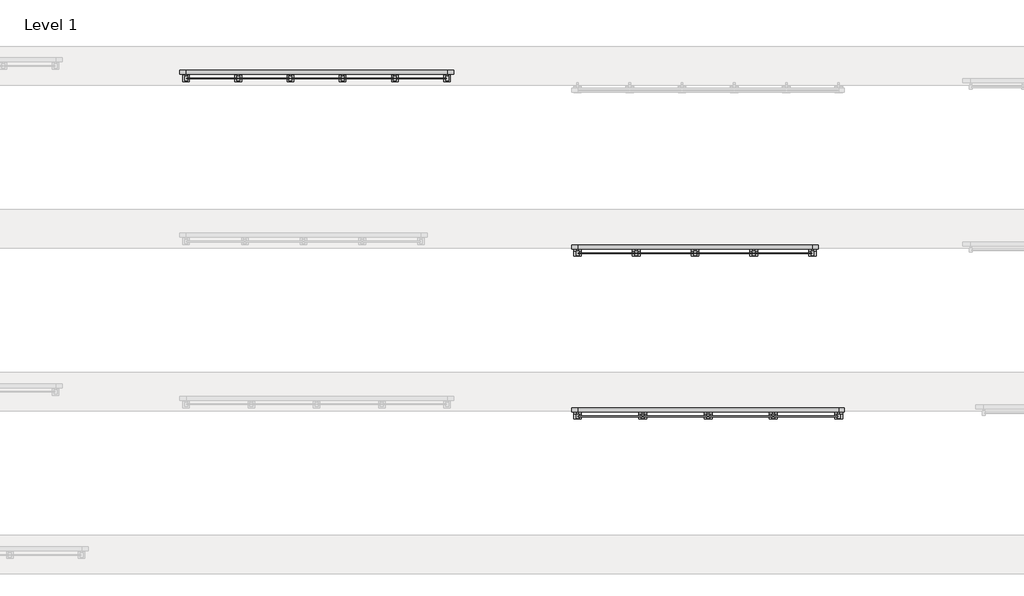
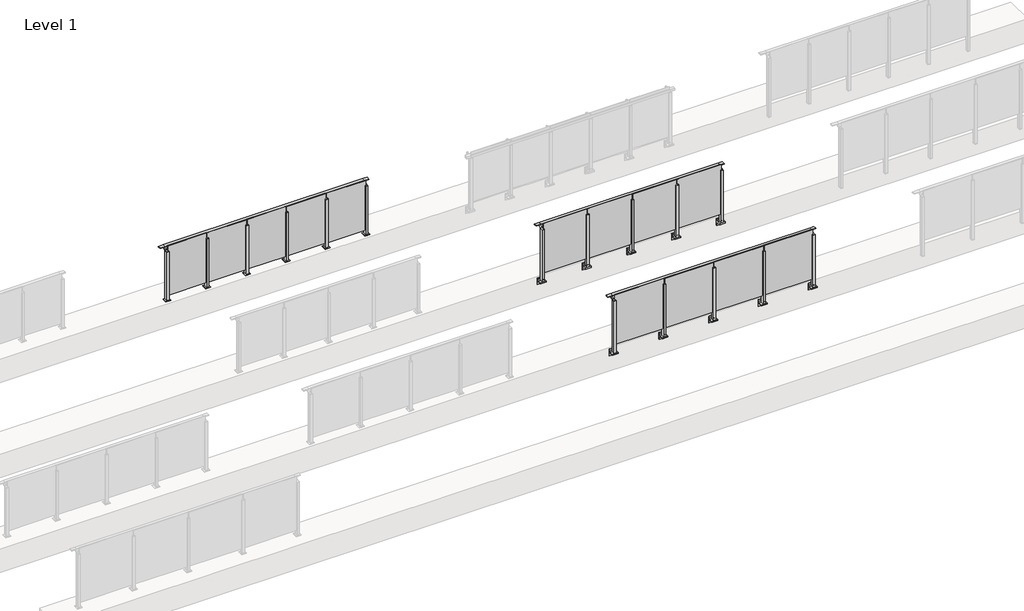
# One storey, part 33 of 37: 3 railings.
"""IFC4 building model written with IfcOpenShell, lengths in millimetres."""

from ifc_helpers import new_model, si_unit, point, frame, frame_2d, origin, origin_with_axes, place, context, project, spatial, polyline, circle_curve, trimmed, segment, composite_curve, outline, extrude, faceted_brep, element, save

model = new_model("IFC4")

# Units and contexts
model_context = context("Model", 3, world=origin())
ifc_project = project(units=[si_unit("LENGTHUNIT", "METRE", prefix="MILLI")], contexts=[model_context])

# Site, building, storey
site = spatial("IfcSite", under=ifc_project)
building = spatial("IfcBuilding", under=site)
storey = spatial("IfcBuildingStorey", under=building, Name="Level 1", Elevation=0.0)

# Railings
placement = place(None, origin())
element("IfcRailing", 1, at=placement, inside=storey, context=model_context, shape_type="SolidModel", body=[
    faceted_brep([(71910.0, 17443.1846828, 1100.0), (71910.0, 17443.1846828, 1085.0), (71910.0, 17383.1846828, 1085.0), (71910.0, 17383.1846828, 1100.0), (72000.0, 17443.1846828, 1100.0), (72000.0, 17443.1846828, 1085.0), (72000.0, 17383.1846828, 1085.0), (72000.0, 17383.1846828, 1100.0), (76000.0, 17443.1846828, 1100.0), (76000.0, 17443.1846828, 1085.0), (76000.0, 17383.1846828, 1085.0), (76000.0, 17383.1846828, 1100.0), (76090.0, 17443.1846828, 1100.0), (76090.0, 17383.1846828, 1100.0), (76090.0, 17383.1846828, 1085.0), (76090.0, 17443.1846828, 1085.0)], [[[0, 1, 2, 3]], [[1, 0, 4, 5]], [[2, 1, 5, 6]], [[3, 2, 6, 7]], [[0, 3, 7, 4]], [[5, 4, 8, 9]], [[6, 5, 9, 10]], [[7, 6, 10, 11]], [[4, 7, 11, 8]], [[12, 13, 14, 15]], [[9, 8, 12, 15]], [[10, 9, 15, 14]], [[11, 10, 14, 13]], [[8, 11, 13, 12]]]),
    extrude(outline(polyline([(75010.0, 17311.9094929), (75010.0, 17321.9094929), (75990.0, 17321.9094929), (75990.0, 17311.9094929), (75010.0, 17311.9094929)])), frame((0.0, 0.0, 95.0), z_axis=(0.0, 0.0, 1.0), x_axis=(1.0, 0.0, 0.0)), (0.0, 0.0, 1.0), 1055.0),
    extrude(outline(composite_curve([segment(polyline([(17438.1846828, 1085.0), (17438.1846828, 1060.900037)]), True, "CONTINUOUS"), segment(trimmed(circle_curve(frame_2d((17428.1846828, 1060.900037)), 10.0), [point((17438.1846828, 1060.900037))], [point((17430.7728733, 1051.2407787))], False, "CARTESIAN"), True, "CONTINUOUS"), segment(polyline([(17430.7728733, 1051.2407787), (17373.7244733, 1035.9547061)]), True, "CONTINUOUS"), segment(trimmed(circle_curve(frame_2d((17376.3126638, 1026.2954478)), 10.0), [point((17373.7244733, 1035.9547061))], [point((17366.3982152, 1027.6007097))], True, "CARTESIAN"), True, "CONTINUOUS"), segment(polyline([(17366.3982152, 1027.6007097), (17361.791393, 992.6084214)]), True, "CONTINUOUS"), segment(trimmed(circle_curve(frame_2d((17358.8170584, 993.0)), 3.0), [point((17361.791393, 992.6084214))], [point((17358.8170584, 990.0))], False, "CARTESIAN"), True, "CONTINUOUS"), segment(polyline([(17358.8170584, 990.0), (17350.1846828, 990.0), (17350.1846828, 1040.0), (17414.1846828, 1057.1487483), (17414.1846828, 1085.0), (17438.1846828, 1085.0)]), True, "CONTINUOUS")], self_intersect=False)), frame((74987.5, 0.0, 0.0), z_axis=(1.0, 0.0, 0.0), x_axis=(0.0, 1.0, 0.0)), (0.0, 0.0, 1.0), 25.0),
    extrude(outline(composite_curve([segment(polyline([(17350.1846828, -70.0), (17384.1846828, -63.0), (17384.1846828, -32.5), (17400.1846828, -32.5), (17400.1846828, -167.5), (17384.1846828, -167.5), (17384.1846828, -113.5)]), True, "CONTINUOUS"), segment(trimmed(circle_curve(frame_2d((17364.1846828, -113.5)), 20.0), [point((17384.1846828, -113.5))], [point((17364.1846828, -93.5))], True, "CARTESIAN"), True, "CONTINUOUS"), segment(polyline([(17364.1846828, -93.5), (17280.1846828, -93.5), (17280.1846828, -70.0), (17350.1846828, -70.0)]), True, "CONTINUOUS")], self_intersect=False)), frame((74940.0, 0.0, 0.0), z_axis=(1.0, 0.0, 0.0), x_axis=(0.0, 1.0, 0.0)), (0.0, 0.0, 1.0), 120.0),
    extrude(outline(polyline([(75022.5, 17350.1846828), (75022.5, 17285.1846828), (74977.5, 17285.1846828), (74977.5, 17350.1846828), (75022.5, 17350.1846828)])), frame((0.0, 0.0, -70.0), z_axis=(0.0, 0.0, 1.0), x_axis=(1.0, 0.0, 0.0)), (0.0, 0.0, 1.0), 1110.0),
    extrude(outline(polyline([(75022.5, 17350.1846828), (75022.5, 17285.1846828), (74977.5, 17285.1846828), (74977.5, 17350.1846828), (75022.5, 17350.1846828)])), frame((0.0, 0.0, 1040.0), z_axis=(0.0, 0.0, 1.0), x_axis=(1.0, 0.0, 0.0)), (0.0, 0.0, 1.0), 5.0),
    extrude(outline(polyline([(74010.0, 17311.9094929), (74010.0, 17321.9094929), (74990.0, 17321.9094929), (74990.0, 17311.9094929), (74010.0, 17311.9094929)])), frame((0.0, 0.0, 95.0), z_axis=(0.0, 0.0, 1.0), x_axis=(1.0, 0.0, 0.0)), (0.0, 0.0, 1.0), 1055.0),
    extrude(outline(composite_curve([segment(polyline([(17438.1846828, 1085.0), (17438.1846828, 1060.900037)]), True, "CONTINUOUS"), segment(trimmed(circle_curve(frame_2d((17428.1846828, 1060.900037)), 10.0), [point((17438.1846828, 1060.900037))], [point((17430.7728733, 1051.2407787))], False, "CARTESIAN"), True, "CONTINUOUS"), segment(polyline([(17430.7728733, 1051.2407787), (17373.7244733, 1035.9547061)]), True, "CONTINUOUS"), segment(trimmed(circle_curve(frame_2d((17376.3126638, 1026.2954478)), 10.0), [point((17373.7244733, 1035.9547061))], [point((17366.3982152, 1027.6007097))], True, "CARTESIAN"), True, "CONTINUOUS"), segment(polyline([(17366.3982152, 1027.6007097), (17361.791393, 992.6084214)]), True, "CONTINUOUS"), segment(trimmed(circle_curve(frame_2d((17358.8170584, 993.0)), 3.0), [point((17361.791393, 992.6084214))], [point((17358.8170584, 990.0))], False, "CARTESIAN"), True, "CONTINUOUS"), segment(polyline([(17358.8170584, 990.0), (17350.1846828, 990.0), (17350.1846828, 1040.0), (17414.1846828, 1057.1487483), (17414.1846828, 1085.0), (17438.1846828, 1085.0)]), True, "CONTINUOUS")], self_intersect=False)), frame((73987.5, 0.0, 0.0), z_axis=(1.0, 0.0, 0.0), x_axis=(0.0, 1.0, 0.0)), (0.0, 0.0, 1.0), 25.0),
    extrude(outline(composite_curve([segment(polyline([(17350.1846828, -70.0), (17384.1846828, -63.0), (17384.1846828, -32.5), (17400.1846828, -32.5), (17400.1846828, -167.5), (17384.1846828, -167.5), (17384.1846828, -113.5)]), True, "CONTINUOUS"), segment(trimmed(circle_curve(frame_2d((17364.1846828, -113.5)), 20.0), [point((17384.1846828, -113.5))], [point((17364.1846828, -93.5))], True, "CARTESIAN"), True, "CONTINUOUS"), segment(polyline([(17364.1846828, -93.5), (17280.1846828, -93.5), (17280.1846828, -70.0), (17350.1846828, -70.0)]), True, "CONTINUOUS")], self_intersect=False)), frame((73940.0, 0.0, 0.0), z_axis=(1.0, 0.0, 0.0), x_axis=(0.0, 1.0, 0.0)), (0.0, 0.0, 1.0), 120.0),
    extrude(outline(polyline([(74022.5, 17350.1846828), (74022.5, 17285.1846828), (73977.5, 17285.1846828), (73977.5, 17350.1846828), (74022.5, 17350.1846828)])), frame((0.0, 0.0, -70.0), z_axis=(0.0, 0.0, 1.0), x_axis=(1.0, 0.0, 0.0)), (0.0, 0.0, 1.0), 1110.0),
    extrude(outline(polyline([(74022.5, 17350.1846828), (74022.5, 17285.1846828), (73977.5, 17285.1846828), (73977.5, 17350.1846828), (74022.5, 17350.1846828)])), frame((0.0, 0.0, 1040.0), z_axis=(0.0, 0.0, 1.0), x_axis=(1.0, 0.0, 0.0)), (0.0, 0.0, 1.0), 5.0),
    extrude(outline(polyline([(73010.0, 17311.9094929), (73010.0, 17321.9094929), (73990.0, 17321.9094929), (73990.0, 17311.9094929), (73010.0, 17311.9094929)])), frame((0.0, 0.0, 95.0), z_axis=(0.0, 0.0, 1.0), x_axis=(1.0, 0.0, 0.0)), (0.0, 0.0, 1.0), 1055.0),
    extrude(outline(composite_curve([segment(polyline([(17438.1846828, 1085.0), (17438.1846828, 1060.900037)]), True, "CONTINUOUS"), segment(trimmed(circle_curve(frame_2d((17428.1846828, 1060.900037)), 10.0), [point((17438.1846828, 1060.900037))], [point((17430.7728733, 1051.2407787))], False, "CARTESIAN"), True, "CONTINUOUS"), segment(polyline([(17430.7728733, 1051.2407787), (17373.7244733, 1035.9547061)]), True, "CONTINUOUS"), segment(trimmed(circle_curve(frame_2d((17376.3126638, 1026.2954478)), 10.0), [point((17373.7244733, 1035.9547061))], [point((17366.3982152, 1027.6007097))], True, "CARTESIAN"), True, "CONTINUOUS"), segment(polyline([(17366.3982152, 1027.6007097), (17361.791393, 992.6084214)]), True, "CONTINUOUS"), segment(trimmed(circle_curve(frame_2d((17358.8170584, 993.0)), 3.0), [point((17361.791393, 992.6084214))], [point((17358.8170584, 990.0))], False, "CARTESIAN"), True, "CONTINUOUS"), segment(polyline([(17358.8170584, 990.0), (17350.1846828, 990.0), (17350.1846828, 1040.0), (17414.1846828, 1057.1487483), (17414.1846828, 1085.0), (17438.1846828, 1085.0)]), True, "CONTINUOUS")], self_intersect=False)), frame((72987.5, 0.0, 0.0), z_axis=(1.0, 0.0, 0.0), x_axis=(0.0, 1.0, 0.0)), (0.0, 0.0, 1.0), 25.0),
    extrude(outline(composite_curve([segment(polyline([(17350.1846828, -70.0), (17384.1846828, -63.0), (17384.1846828, -32.5), (17400.1846828, -32.5), (17400.1846828, -167.5), (17384.1846828, -167.5), (17384.1846828, -113.5)]), True, "CONTINUOUS"), segment(trimmed(circle_curve(frame_2d((17364.1846828, -113.5)), 20.0), [point((17384.1846828, -113.5))], [point((17364.1846828, -93.5))], True, "CARTESIAN"), True, "CONTINUOUS"), segment(polyline([(17364.1846828, -93.5), (17280.1846828, -93.5), (17280.1846828, -70.0), (17350.1846828, -70.0)]), True, "CONTINUOUS")], self_intersect=False)), frame((72940.0, 0.0, 0.0), z_axis=(1.0, 0.0, 0.0), x_axis=(0.0, 1.0, 0.0)), (0.0, 0.0, 1.0), 120.0),
    extrude(outline(polyline([(73022.5, 17350.1846828), (73022.5, 17285.1846828), (72977.5, 17285.1846828), (72977.5, 17350.1846828), (73022.5, 17350.1846828)])), frame((0.0, 0.0, -70.0), z_axis=(0.0, 0.0, 1.0), x_axis=(1.0, 0.0, 0.0)), (0.0, 0.0, 1.0), 1110.0),
    extrude(outline(polyline([(73022.5, 17350.1846828), (73022.5, 17285.1846828), (72977.5, 17285.1846828), (72977.5, 17350.1846828), (73022.5, 17350.1846828)])), frame((0.0, 0.0, 1040.0), z_axis=(0.0, 0.0, 1.0), x_axis=(1.0, 0.0, 0.0)), (0.0, 0.0, 1.0), 5.0),
    extrude(outline(polyline([(72010.0, 17311.9094929), (72010.0, 17321.9094929), (72990.0, 17321.9094929), (72990.0, 17311.9094929), (72010.0, 17311.9094929)])), frame((0.0, 0.0, 95.0), z_axis=(0.0, 0.0, 1.0), x_axis=(1.0, 0.0, 0.0)), (0.0, 0.0, 1.0), 1055.0),
    extrude(outline(composite_curve([segment(polyline([(17438.1846828, 1085.0), (17438.1846828, 1060.900037)]), True, "CONTINUOUS"), segment(trimmed(circle_curve(frame_2d((17428.1846828, 1060.900037)), 10.0), [point((17438.1846828, 1060.900037))], [point((17430.7728733, 1051.2407787))], False, "CARTESIAN"), True, "CONTINUOUS"), segment(polyline([(17430.7728733, 1051.2407787), (17373.7244733, 1035.9547061)]), True, "CONTINUOUS"), segment(trimmed(circle_curve(frame_2d((17376.3126638, 1026.2954478)), 10.0), [point((17373.7244733, 1035.9547061))], [point((17366.3982152, 1027.6007097))], True, "CARTESIAN"), True, "CONTINUOUS"), segment(polyline([(17366.3982152, 1027.6007097), (17361.791393, 992.6084214)]), True, "CONTINUOUS"), segment(trimmed(circle_curve(frame_2d((17358.8170584, 993.0)), 3.0), [point((17361.791393, 992.6084214))], [point((17358.8170584, 990.0))], False, "CARTESIAN"), True, "CONTINUOUS"), segment(polyline([(17358.8170584, 990.0), (17350.1846828, 990.0), (17350.1846828, 1040.0), (17414.1846828, 1057.1487483), (17414.1846828, 1085.0), (17438.1846828, 1085.0)]), True, "CONTINUOUS")], self_intersect=False)), frame((75987.5, 0.0, 0.0), z_axis=(1.0, 0.0, 0.0), x_axis=(0.0, 1.0, 0.0)), (0.0, 0.0, 1.0), 25.0),
    extrude(outline(composite_curve([segment(polyline([(17350.1846828, -70.0), (17384.1846828, -63.0), (17384.1846828, -32.5), (17400.1846828, -32.5), (17400.1846828, -167.5), (17384.1846828, -167.5), (17384.1846828, -113.5)]), True, "CONTINUOUS"), segment(trimmed(circle_curve(frame_2d((17364.1846828, -113.5)), 20.0), [point((17384.1846828, -113.5))], [point((17364.1846828, -93.5))], True, "CARTESIAN"), True, "CONTINUOUS"), segment(polyline([(17364.1846828, -93.5), (17280.1846828, -93.5), (17280.1846828, -70.0), (17350.1846828, -70.0)]), True, "CONTINUOUS")], self_intersect=False)), frame((75940.0, 0.0, 0.0), z_axis=(1.0, 0.0, 0.0), x_axis=(0.0, 1.0, 0.0)), (0.0, 0.0, 1.0), 120.0),
    extrude(outline(polyline([(76022.5, 17350.1846828), (76022.5, 17285.1846828), (75977.5, 17285.1846828), (75977.5, 17350.1846828), (76022.5, 17350.1846828)])), frame((0.0, 0.0, -70.0), z_axis=(0.0, 0.0, 1.0), x_axis=(1.0, 0.0, 0.0)), (0.0, 0.0, 1.0), 1110.0),
    extrude(outline(polyline([(76022.5, 17350.1846828), (76022.5, 17285.1846828), (75977.5, 17285.1846828), (75977.5, 17350.1846828), (76022.5, 17350.1846828)])), frame((0.0, 0.0, 1040.0), z_axis=(0.0, 0.0, 1.0), x_axis=(1.0, 0.0, 0.0)), (0.0, 0.0, 1.0), 5.0),
    extrude(outline(composite_curve([segment(polyline([(17438.1846828, 1085.0), (17438.1846828, 1060.900037)]), True, "CONTINUOUS"), segment(trimmed(circle_curve(frame_2d((17428.1846828, 1060.900037)), 10.0), [point((17438.1846828, 1060.900037))], [point((17430.7728733, 1051.2407787))], False, "CARTESIAN"), True, "CONTINUOUS"), segment(polyline([(17430.7728733, 1051.2407787), (17373.7244733, 1035.9547061)]), True, "CONTINUOUS"), segment(trimmed(circle_curve(frame_2d((17376.3126638, 1026.2954478)), 10.0), [point((17373.7244733, 1035.9547061))], [point((17366.3982152, 1027.6007097))], True, "CARTESIAN"), True, "CONTINUOUS"), segment(polyline([(17366.3982152, 1027.6007097), (17361.791393, 992.6084214)]), True, "CONTINUOUS"), segment(trimmed(circle_curve(frame_2d((17358.8170584, 993.0)), 3.0), [point((17361.791393, 992.6084214))], [point((17358.8170584, 990.0))], False, "CARTESIAN"), True, "CONTINUOUS"), segment(polyline([(17358.8170584, 990.0), (17350.1846828, 990.0), (17350.1846828, 1040.0), (17414.1846828, 1057.1487483), (17414.1846828, 1085.0), (17438.1846828, 1085.0)]), True, "CONTINUOUS")], self_intersect=False)), frame((71987.5, 0.0, 0.0), z_axis=(1.0, 0.0, 0.0), x_axis=(0.0, 1.0, 0.0)), (0.0, 0.0, 1.0), 25.0),
    extrude(outline(composite_curve([segment(polyline([(17350.1846828, -70.0), (17384.1846828, -63.0), (17384.1846828, -32.5), (17400.1846828, -32.5), (17400.1846828, -167.5), (17384.1846828, -167.5), (17384.1846828, -113.5)]), True, "CONTINUOUS"), segment(trimmed(circle_curve(frame_2d((17364.1846828, -113.5)), 20.0), [point((17384.1846828, -113.5))], [point((17364.1846828, -93.5))], True, "CARTESIAN"), True, "CONTINUOUS"), segment(polyline([(17364.1846828, -93.5), (17280.1846828, -93.5), (17280.1846828, -70.0), (17350.1846828, -70.0)]), True, "CONTINUOUS")], self_intersect=False)), frame((71940.0, 0.0, 0.0), z_axis=(1.0, 0.0, 0.0), x_axis=(0.0, 1.0, 0.0)), (0.0, 0.0, 1.0), 120.0),
    extrude(outline(polyline([(72022.5, 17350.1846828), (72022.5, 17285.1846828), (71977.5, 17285.1846828), (71977.5, 17350.1846828), (72022.5, 17350.1846828)])), frame((0.0, 0.0, -70.0), z_axis=(0.0, 0.0, 1.0), x_axis=(1.0, 0.0, 0.0)), (0.0, 0.0, 1.0), 1110.0),
    extrude(outline(polyline([(72022.5, 17350.1846828), (72022.5, 17285.1846828), (71977.5, 17285.1846828), (71977.5, 17350.1846828), (72022.5, 17350.1846828)])), frame((0.0, 0.0, 1040.0), z_axis=(0.0, 0.0, 1.0), x_axis=(1.0, 0.0, 0.0)), (0.0, 0.0, 1.0), 5.0),
])
element("IfcRailing", 2, at=placement, inside=storey, context=model_context, shape_type="SolidModel", body=[
    faceted_brep([(71910.0, 19943.1846828, 1100.0), (71910.0, 19943.1846828, 1085.0), (71910.0, 19883.1846828, 1085.0), (71910.0, 19883.1846828, 1100.0), (72000.0, 19943.1846828, 1100.0), (72000.0, 19943.1846828, 1085.0), (72000.0, 19883.1846828, 1085.0), (72000.0, 19883.1846828, 1100.0), (75600.0, 19943.1846828, 1100.0), (75600.0, 19943.1846828, 1085.0), (75600.0, 19883.1846828, 1085.0), (75600.0, 19883.1846828, 1100.0), (75690.0, 19943.1846828, 1100.0), (75690.0, 19883.1846828, 1100.0), (75690.0, 19883.1846828, 1085.0), (75690.0, 19943.1846828, 1085.0)], [[[0, 1, 2, 3]], [[1, 0, 4, 5]], [[2, 1, 5, 6]], [[3, 2, 6, 7]], [[0, 3, 7, 4]], [[5, 4, 8, 9]], [[6, 5, 9, 10]], [[7, 6, 10, 11]], [[4, 7, 11, 8]], [[12, 13, 14, 15]], [[9, 8, 12, 15]], [[10, 9, 15, 14]], [[11, 10, 14, 13]], [[8, 11, 13, 12]]]),
    extrude(outline(polyline([(74710.0, 19811.9094929), (74710.0, 19821.9094929), (75590.0, 19821.9094929), (75590.0, 19811.9094929), (74710.0, 19811.9094929)])), frame((0.0, 0.0, 95.0), z_axis=(0.0, 0.0, 1.0), x_axis=(1.0, 0.0, 0.0)), (0.0, 0.0, 1.0), 1055.0),
    extrude(outline(composite_curve([segment(polyline([(19938.1846828, 1085.0), (19938.1846828, 1060.900037)]), True, "CONTINUOUS"), segment(trimmed(circle_curve(frame_2d((19928.1846828, 1060.900037)), 10.0), [point((19938.1846828, 1060.900037))], [point((19930.7728733, 1051.2407787))], False, "CARTESIAN"), True, "CONTINUOUS"), segment(polyline([(19930.7728733, 1051.2407787), (19873.7244733, 1035.9547061)]), True, "CONTINUOUS"), segment(trimmed(circle_curve(frame_2d((19876.3126638, 1026.2954478)), 10.0), [point((19873.7244733, 1035.9547061))], [point((19866.3982152, 1027.6007097))], True, "CARTESIAN"), True, "CONTINUOUS"), segment(polyline([(19866.3982152, 1027.6007097), (19861.791393, 992.6084214)]), True, "CONTINUOUS"), segment(trimmed(circle_curve(frame_2d((19858.8170584, 993.0)), 3.0), [point((19861.791393, 992.6084214))], [point((19858.8170584, 990.0))], False, "CARTESIAN"), True, "CONTINUOUS"), segment(polyline([(19858.8170584, 990.0), (19850.1846828, 990.0), (19850.1846828, 1040.0), (19914.1846828, 1057.1487483), (19914.1846828, 1085.0), (19938.1846828, 1085.0)]), True, "CONTINUOUS")], self_intersect=False)), frame((74687.5, 0.0, 0.0), z_axis=(1.0, 0.0, 0.0), x_axis=(0.0, 1.0, 0.0)), (0.0, 0.0, 1.0), 25.0),
    extrude(outline(composite_curve([segment(polyline([(19850.1846828, -70.0), (19884.1846828, -63.0), (19884.1846828, -32.5), (19900.1846828, -32.5), (19900.1846828, -167.5), (19884.1846828, -167.5), (19884.1846828, -113.5)]), True, "CONTINUOUS"), segment(trimmed(circle_curve(frame_2d((19864.1846828, -113.5)), 20.0), [point((19884.1846828, -113.5))], [point((19864.1846828, -93.5))], True, "CARTESIAN"), True, "CONTINUOUS"), segment(polyline([(19864.1846828, -93.5), (19780.1846828, -93.5), (19780.1846828, -70.0), (19850.1846828, -70.0)]), True, "CONTINUOUS")], self_intersect=False)), frame((74640.0, 0.0, 0.0), z_axis=(1.0, 0.0, 0.0), x_axis=(0.0, 1.0, 0.0)), (0.0, 0.0, 1.0), 120.0),
    extrude(outline(polyline([(74722.5, 19850.1846828), (74722.5, 19785.1846828), (74677.5, 19785.1846828), (74677.5, 19850.1846828), (74722.5, 19850.1846828)])), frame((0.0, 0.0, -70.0), z_axis=(0.0, 0.0, 1.0), x_axis=(1.0, 0.0, 0.0)), (0.0, 0.0, 1.0), 1110.0),
    extrude(outline(polyline([(74722.5, 19850.1846828), (74722.5, 19785.1846828), (74677.5, 19785.1846828), (74677.5, 19850.1846828), (74722.5, 19850.1846828)])), frame((0.0, 0.0, 1040.0), z_axis=(0.0, 0.0, 1.0), x_axis=(1.0, 0.0, 0.0)), (0.0, 0.0, 1.0), 5.0),
    extrude(outline(polyline([(73810.0, 19811.9094929), (73810.0, 19821.9094929), (74690.0, 19821.9094929), (74690.0, 19811.9094929), (73810.0, 19811.9094929)])), frame((0.0, 0.0, 95.0), z_axis=(0.0, 0.0, 1.0), x_axis=(1.0, 0.0, 0.0)), (0.0, 0.0, 1.0), 1055.0),
    extrude(outline(composite_curve([segment(polyline([(19938.1846828, 1085.0), (19938.1846828, 1060.900037)]), True, "CONTINUOUS"), segment(trimmed(circle_curve(frame_2d((19928.1846828, 1060.900037)), 10.0), [point((19938.1846828, 1060.900037))], [point((19930.7728733, 1051.2407787))], False, "CARTESIAN"), True, "CONTINUOUS"), segment(polyline([(19930.7728733, 1051.2407787), (19873.7244733, 1035.9547061)]), True, "CONTINUOUS"), segment(trimmed(circle_curve(frame_2d((19876.3126638, 1026.2954478)), 10.0), [point((19873.7244733, 1035.9547061))], [point((19866.3982152, 1027.6007097))], True, "CARTESIAN"), True, "CONTINUOUS"), segment(polyline([(19866.3982152, 1027.6007097), (19861.791393, 992.6084214)]), True, "CONTINUOUS"), segment(trimmed(circle_curve(frame_2d((19858.8170584, 993.0)), 3.0), [point((19861.791393, 992.6084214))], [point((19858.8170584, 990.0))], False, "CARTESIAN"), True, "CONTINUOUS"), segment(polyline([(19858.8170584, 990.0), (19850.1846828, 990.0), (19850.1846828, 1040.0), (19914.1846828, 1057.1487483), (19914.1846828, 1085.0), (19938.1846828, 1085.0)]), True, "CONTINUOUS")], self_intersect=False)), frame((73787.5, 0.0, 0.0), z_axis=(1.0, 0.0, 0.0), x_axis=(0.0, 1.0, 0.0)), (0.0, 0.0, 1.0), 25.0),
    extrude(outline(composite_curve([segment(polyline([(19850.1846828, -70.0), (19884.1846828, -63.0), (19884.1846828, -32.5), (19900.1846828, -32.5), (19900.1846828, -167.5), (19884.1846828, -167.5), (19884.1846828, -113.5)]), True, "CONTINUOUS"), segment(trimmed(circle_curve(frame_2d((19864.1846828, -113.5)), 20.0), [point((19884.1846828, -113.5))], [point((19864.1846828, -93.5))], True, "CARTESIAN"), True, "CONTINUOUS"), segment(polyline([(19864.1846828, -93.5), (19780.1846828, -93.5), (19780.1846828, -70.0), (19850.1846828, -70.0)]), True, "CONTINUOUS")], self_intersect=False)), frame((73740.0, 0.0, 0.0), z_axis=(1.0, 0.0, 0.0), x_axis=(0.0, 1.0, 0.0)), (0.0, 0.0, 1.0), 120.0),
    extrude(outline(polyline([(73822.5, 19850.1846828), (73822.5, 19785.1846828), (73777.5, 19785.1846828), (73777.5, 19850.1846828), (73822.5, 19850.1846828)])), frame((0.0, 0.0, -70.0), z_axis=(0.0, 0.0, 1.0), x_axis=(1.0, 0.0, 0.0)), (0.0, 0.0, 1.0), 1110.0),
    extrude(outline(polyline([(73822.5, 19850.1846828), (73822.5, 19785.1846828), (73777.5, 19785.1846828), (73777.5, 19850.1846828), (73822.5, 19850.1846828)])), frame((0.0, 0.0, 1040.0), z_axis=(0.0, 0.0, 1.0), x_axis=(1.0, 0.0, 0.0)), (0.0, 0.0, 1.0), 5.0),
    extrude(outline(polyline([(72910.0, 19811.9094929), (72910.0, 19821.9094929), (73790.0, 19821.9094929), (73790.0, 19811.9094929), (72910.0, 19811.9094929)])), frame((0.0, 0.0, 95.0), z_axis=(0.0, 0.0, 1.0), x_axis=(1.0, 0.0, 0.0)), (0.0, 0.0, 1.0), 1055.0),
    extrude(outline(composite_curve([segment(polyline([(19938.1846828, 1085.0), (19938.1846828, 1060.900037)]), True, "CONTINUOUS"), segment(trimmed(circle_curve(frame_2d((19928.1846828, 1060.900037)), 10.0), [point((19938.1846828, 1060.900037))], [point((19930.7728733, 1051.2407787))], False, "CARTESIAN"), True, "CONTINUOUS"), segment(polyline([(19930.7728733, 1051.2407787), (19873.7244733, 1035.9547061)]), True, "CONTINUOUS"), segment(trimmed(circle_curve(frame_2d((19876.3126638, 1026.2954478)), 10.0), [point((19873.7244733, 1035.9547061))], [point((19866.3982152, 1027.6007097))], True, "CARTESIAN"), True, "CONTINUOUS"), segment(polyline([(19866.3982152, 1027.6007097), (19861.791393, 992.6084214)]), True, "CONTINUOUS"), segment(trimmed(circle_curve(frame_2d((19858.8170584, 993.0)), 3.0), [point((19861.791393, 992.6084214))], [point((19858.8170584, 990.0))], False, "CARTESIAN"), True, "CONTINUOUS"), segment(polyline([(19858.8170584, 990.0), (19850.1846828, 990.0), (19850.1846828, 1040.0), (19914.1846828, 1057.1487483), (19914.1846828, 1085.0), (19938.1846828, 1085.0)]), True, "CONTINUOUS")], self_intersect=False)), frame((72887.5, 0.0, 0.0), z_axis=(1.0, 0.0, 0.0), x_axis=(0.0, 1.0, 0.0)), (0.0, 0.0, 1.0), 25.0),
    extrude(outline(composite_curve([segment(polyline([(19850.1846828, -70.0), (19884.1846828, -63.0), (19884.1846828, -32.5), (19900.1846828, -32.5), (19900.1846828, -167.5), (19884.1846828, -167.5), (19884.1846828, -113.5)]), True, "CONTINUOUS"), segment(trimmed(circle_curve(frame_2d((19864.1846828, -113.5)), 20.0), [point((19884.1846828, -113.5))], [point((19864.1846828, -93.5))], True, "CARTESIAN"), True, "CONTINUOUS"), segment(polyline([(19864.1846828, -93.5), (19780.1846828, -93.5), (19780.1846828, -70.0), (19850.1846828, -70.0)]), True, "CONTINUOUS")], self_intersect=False)), frame((72840.0, 0.0, 0.0), z_axis=(1.0, 0.0, 0.0), x_axis=(0.0, 1.0, 0.0)), (0.0, 0.0, 1.0), 120.0),
    extrude(outline(polyline([(72922.5, 19850.1846828), (72922.5, 19785.1846828), (72877.5, 19785.1846828), (72877.5, 19850.1846828), (72922.5, 19850.1846828)])), frame((0.0, 0.0, -70.0), z_axis=(0.0, 0.0, 1.0), x_axis=(1.0, 0.0, 0.0)), (0.0, 0.0, 1.0), 1110.0),
    extrude(outline(polyline([(72922.5, 19850.1846828), (72922.5, 19785.1846828), (72877.5, 19785.1846828), (72877.5, 19850.1846828), (72922.5, 19850.1846828)])), frame((0.0, 0.0, 1040.0), z_axis=(0.0, 0.0, 1.0), x_axis=(1.0, 0.0, 0.0)), (0.0, 0.0, 1.0), 5.0),
    extrude(outline(polyline([(72010.0, 19811.9094929), (72010.0, 19821.9094929), (72890.0, 19821.9094929), (72890.0, 19811.9094929), (72010.0, 19811.9094929)])), frame((0.0, 0.0, 95.0), z_axis=(0.0, 0.0, 1.0), x_axis=(1.0, 0.0, 0.0)), (0.0, 0.0, 1.0), 1055.0),
    extrude(outline(composite_curve([segment(polyline([(19938.1846828, 1085.0), (19938.1846828, 1060.900037)]), True, "CONTINUOUS"), segment(trimmed(circle_curve(frame_2d((19928.1846828, 1060.900037)), 10.0), [point((19938.1846828, 1060.900037))], [point((19930.7728733, 1051.2407787))], False, "CARTESIAN"), True, "CONTINUOUS"), segment(polyline([(19930.7728733, 1051.2407787), (19873.7244733, 1035.9547061)]), True, "CONTINUOUS"), segment(trimmed(circle_curve(frame_2d((19876.3126638, 1026.2954478)), 10.0), [point((19873.7244733, 1035.9547061))], [point((19866.3982152, 1027.6007097))], True, "CARTESIAN"), True, "CONTINUOUS"), segment(polyline([(19866.3982152, 1027.6007097), (19861.791393, 992.6084214)]), True, "CONTINUOUS"), segment(trimmed(circle_curve(frame_2d((19858.8170584, 993.0)), 3.0), [point((19861.791393, 992.6084214))], [point((19858.8170584, 990.0))], False, "CARTESIAN"), True, "CONTINUOUS"), segment(polyline([(19858.8170584, 990.0), (19850.1846828, 990.0), (19850.1846828, 1040.0), (19914.1846828, 1057.1487483), (19914.1846828, 1085.0), (19938.1846828, 1085.0)]), True, "CONTINUOUS")], self_intersect=False)), frame((75587.5, 0.0, 0.0), z_axis=(1.0, 0.0, 0.0), x_axis=(0.0, 1.0, 0.0)), (0.0, 0.0, 1.0), 25.0),
    extrude(outline(composite_curve([segment(polyline([(19850.1846828, -70.0), (19884.1846828, -63.0), (19884.1846828, -32.5), (19900.1846828, -32.5), (19900.1846828, -167.5), (19884.1846828, -167.5), (19884.1846828, -113.5)]), True, "CONTINUOUS"), segment(trimmed(circle_curve(frame_2d((19864.1846828, -113.5)), 20.0), [point((19884.1846828, -113.5))], [point((19864.1846828, -93.5))], True, "CARTESIAN"), True, "CONTINUOUS"), segment(polyline([(19864.1846828, -93.5), (19780.1846828, -93.5), (19780.1846828, -70.0), (19850.1846828, -70.0)]), True, "CONTINUOUS")], self_intersect=False)), frame((75540.0, 0.0, 0.0), z_axis=(1.0, 0.0, 0.0), x_axis=(0.0, 1.0, 0.0)), (0.0, 0.0, 1.0), 120.0),
    extrude(outline(polyline([(75622.5, 19850.1846828), (75622.5, 19785.1846828), (75577.5, 19785.1846828), (75577.5, 19850.1846828), (75622.5, 19850.1846828)])), frame((0.0, 0.0, -70.0), z_axis=(0.0, 0.0, 1.0), x_axis=(1.0, 0.0, 0.0)), (0.0, 0.0, 1.0), 1110.0),
    extrude(outline(polyline([(75622.5, 19850.1846828), (75622.5, 19785.1846828), (75577.5, 19785.1846828), (75577.5, 19850.1846828), (75622.5, 19850.1846828)])), frame((0.0, 0.0, 1040.0), z_axis=(0.0, 0.0, 1.0), x_axis=(1.0, 0.0, 0.0)), (0.0, 0.0, 1.0), 5.0),
    extrude(outline(composite_curve([segment(polyline([(19938.1846828, 1085.0), (19938.1846828, 1060.900037)]), True, "CONTINUOUS"), segment(trimmed(circle_curve(frame_2d((19928.1846828, 1060.900037)), 10.0), [point((19938.1846828, 1060.900037))], [point((19930.7728733, 1051.2407787))], False, "CARTESIAN"), True, "CONTINUOUS"), segment(polyline([(19930.7728733, 1051.2407787), (19873.7244733, 1035.9547061)]), True, "CONTINUOUS"), segment(trimmed(circle_curve(frame_2d((19876.3126638, 1026.2954478)), 10.0), [point((19873.7244733, 1035.9547061))], [point((19866.3982152, 1027.6007097))], True, "CARTESIAN"), True, "CONTINUOUS"), segment(polyline([(19866.3982152, 1027.6007097), (19861.791393, 992.6084214)]), True, "CONTINUOUS"), segment(trimmed(circle_curve(frame_2d((19858.8170584, 993.0)), 3.0), [point((19861.791393, 992.6084214))], [point((19858.8170584, 990.0))], False, "CARTESIAN"), True, "CONTINUOUS"), segment(polyline([(19858.8170584, 990.0), (19850.1846828, 990.0), (19850.1846828, 1040.0), (19914.1846828, 1057.1487483), (19914.1846828, 1085.0), (19938.1846828, 1085.0)]), True, "CONTINUOUS")], self_intersect=False)), frame((71987.5, 0.0, 0.0), z_axis=(1.0, 0.0, 0.0), x_axis=(0.0, 1.0, 0.0)), (0.0, 0.0, 1.0), 25.0),
    extrude(outline(composite_curve([segment(polyline([(19850.1846828, -70.0), (19884.1846828, -63.0), (19884.1846828, -32.5), (19900.1846828, -32.5), (19900.1846828, -167.5), (19884.1846828, -167.5), (19884.1846828, -113.5)]), True, "CONTINUOUS"), segment(trimmed(circle_curve(frame_2d((19864.1846828, -113.5)), 20.0), [point((19884.1846828, -113.5))], [point((19864.1846828, -93.5))], True, "CARTESIAN"), True, "CONTINUOUS"), segment(polyline([(19864.1846828, -93.5), (19780.1846828, -93.5), (19780.1846828, -70.0), (19850.1846828, -70.0)]), True, "CONTINUOUS")], self_intersect=False)), frame((71940.0, 0.0, 0.0), z_axis=(1.0, 0.0, 0.0), x_axis=(0.0, 1.0, 0.0)), (0.0, 0.0, 1.0), 120.0),
    extrude(outline(polyline([(72022.5, 19850.1846828), (72022.5, 19785.1846828), (71977.5, 19785.1846828), (71977.5, 19850.1846828), (72022.5, 19850.1846828)])), frame((0.0, 0.0, -70.0), z_axis=(0.0, 0.0, 1.0), x_axis=(1.0, 0.0, 0.0)), (0.0, 0.0, 1.0), 1110.0),
    extrude(outline(polyline([(72022.5, 19850.1846828), (72022.5, 19785.1846828), (71977.5, 19785.1846828), (71977.5, 19850.1846828), (72022.5, 19850.1846828)])), frame((0.0, 0.0, 1040.0), z_axis=(0.0, 0.0, 1.0), x_axis=(1.0, 0.0, 0.0)), (0.0, 0.0, 1.0), 5.0),
])
element("IfcRailing", 3, at=placement, inside=storey, context=model_context, shape_type="SolidModel", body=[
    faceted_brep([(66000.0, 22625.6846828, 1085.0), (66000.0, 22625.6846828, 1100.0), (70000.0, 22625.6846828, 1100.0), (70000.0, 22625.6846828, 1085.0), (66000.0, 22565.6846828, 1085.0), (70000.0, 22565.6846828, 1085.0), (66000.0, 22565.6846828, 1100.0), (70000.0, 22565.6846828, 1100.0), (65900.0, 22625.6846828, 1100.0), (65900.0, 22625.6846828, 1085.0), (65900.0, 22565.6846828, 1085.0), (65900.0, 22565.6846828, 1100.0), (70100.0, 22625.6846828, 1100.0), (70100.0, 22565.6846828, 1100.0), (70100.0, 22565.6846828, 1085.0), (70100.0, 22625.6846828, 1085.0)], [[[0, 1, 2, 3]], [[4, 0, 3, 5]], [[6, 4, 5, 7]], [[1, 6, 7, 2]], [[8, 9, 10, 11]], [[9, 8, 1, 0]], [[10, 9, 0, 4]], [[11, 10, 4, 6]], [[8, 11, 6, 1]], [[12, 13, 14, 15]], [[3, 2, 12, 15]], [[5, 3, 15, 14]], [[7, 5, 14, 13]], [[2, 7, 13, 12]]]),
    extrude(outline(polyline([(69210.0, 22494.4094929), (69210.0, 22504.4094929), (69990.0, 22504.4094929), (69990.0, 22494.4094929), (69210.0, 22494.4094929)])), frame((0.0, 0.0, 95.0), z_axis=(0.0, 0.0, 1.0), x_axis=(1.0, 0.0, 0.0)), (0.0, 0.0, 1.0), 1055.0),
    extrude(outline(composite_curve([segment(polyline([(22620.6846828, 1085.0), (22620.6846828, 1060.900037)]), True, "CONTINUOUS"), segment(trimmed(circle_curve(frame_2d((22610.6846828, 1060.900037)), 10.0), [point((22620.6846828, 1060.900037))], [point((22613.2728733, 1051.2407787))], False, "CARTESIAN"), True, "CONTINUOUS"), segment(polyline([(22613.2728733, 1051.2407787), (22556.2244733, 1035.9547061)]), True, "CONTINUOUS"), segment(trimmed(circle_curve(frame_2d((22558.8126638, 1026.2954478)), 10.0), [point((22556.2244733, 1035.9547061))], [point((22548.8982152, 1027.6007097))], True, "CARTESIAN"), True, "CONTINUOUS"), segment(polyline([(22548.8982152, 1027.6007097), (22544.291393, 992.6084214)]), True, "CONTINUOUS"), segment(trimmed(circle_curve(frame_2d((22541.3170584, 993.0)), 3.0), [point((22544.291393, 992.6084214))], [point((22541.3170584, 990.0))], False, "CARTESIAN"), True, "CONTINUOUS"), segment(polyline([(22541.3170584, 990.0), (22532.6846828, 990.0), (22532.6846828, 1040.0), (22596.6846828, 1057.1487483), (22596.6846828, 1085.0), (22620.6846828, 1085.0)]), True, "CONTINUOUS")], self_intersect=False)), frame((69187.5, 0.0, 0.0), z_axis=(1.0, 0.0, 0.0), x_axis=(0.0, 1.0, 0.0)), (0.0, 0.0, 1.0), 25.0),
    extrude(outline(polyline([(69222.5, 22532.6846828), (69222.5, 22467.6846828), (69177.5, 22467.6846828), (69177.5, 22532.6846828), (69222.5, 22532.6846828)])), frame((0.0, 0.0, 1040.0), z_axis=(0.0, 0.0, 1.0), x_axis=(1.0, 0.0, 0.0)), (0.0, 0.0, 1.0), 5.0),
    extrude(outline(polyline([(69250.0, 22550.1846828), (69250.0, 22450.1846828), (69150.0, 22450.1846828), (69150.0, 22550.1846828), (69250.0, 22550.1846828)])), origin_with_axes(), (0.0, 0.0, 1.0), 12.0),
    extrude(outline(polyline([(69222.5, 22532.6846828), (69222.5, 22467.6846828), (69177.5, 22467.6846828), (69177.5, 22532.6846828), (69222.5, 22532.6846828)])), frame((0.0, 0.0, 12.0), z_axis=(0.0, 0.0, 1.0), x_axis=(1.0, 0.0, 0.0)), (0.0, 0.0, 1.0), 1028.0),
    extrude(outline(polyline([(68410.0, 22494.4094929), (68410.0, 22504.4094929), (69190.0, 22504.4094929), (69190.0, 22494.4094929), (68410.0, 22494.4094929)])), frame((0.0, 0.0, 95.0), z_axis=(0.0, 0.0, 1.0), x_axis=(1.0, 0.0, 0.0)), (0.0, 0.0, 1.0), 1055.0),
    extrude(outline(composite_curve([segment(polyline([(22620.6846828, 1085.0), (22620.6846828, 1060.900037)]), True, "CONTINUOUS"), segment(trimmed(circle_curve(frame_2d((22610.6846828, 1060.900037)), 10.0), [point((22620.6846828, 1060.900037))], [point((22613.2728733, 1051.2407787))], False, "CARTESIAN"), True, "CONTINUOUS"), segment(polyline([(22613.2728733, 1051.2407787), (22556.2244733, 1035.9547061)]), True, "CONTINUOUS"), segment(trimmed(circle_curve(frame_2d((22558.8126638, 1026.2954478)), 10.0), [point((22556.2244733, 1035.9547061))], [point((22548.8982152, 1027.6007097))], True, "CARTESIAN"), True, "CONTINUOUS"), segment(polyline([(22548.8982152, 1027.6007097), (22544.291393, 992.6084214)]), True, "CONTINUOUS"), segment(trimmed(circle_curve(frame_2d((22541.3170584, 993.0)), 3.0), [point((22544.291393, 992.6084214))], [point((22541.3170584, 990.0))], False, "CARTESIAN"), True, "CONTINUOUS"), segment(polyline([(22541.3170584, 990.0), (22532.6846828, 990.0), (22532.6846828, 1040.0), (22596.6846828, 1057.1487483), (22596.6846828, 1085.0), (22620.6846828, 1085.0)]), True, "CONTINUOUS")], self_intersect=False)), frame((68387.5, 0.0, 0.0), z_axis=(1.0, 0.0, 0.0), x_axis=(0.0, 1.0, 0.0)), (0.0, 0.0, 1.0), 25.0),
    extrude(outline(polyline([(68422.5, 22532.6846828), (68422.5, 22467.6846828), (68377.5, 22467.6846828), (68377.5, 22532.6846828), (68422.5, 22532.6846828)])), frame((0.0, 0.0, 1040.0), z_axis=(0.0, 0.0, 1.0), x_axis=(1.0, 0.0, 0.0)), (0.0, 0.0, 1.0), 5.0),
    extrude(outline(polyline([(68450.0, 22550.1846828), (68450.0, 22450.1846828), (68350.0, 22450.1846828), (68350.0, 22550.1846828), (68450.0, 22550.1846828)])), origin_with_axes(), (0.0, 0.0, 1.0), 12.0),
    extrude(outline(polyline([(68422.5, 22532.6846828), (68422.5, 22467.6846828), (68377.5, 22467.6846828), (68377.5, 22532.6846828), (68422.5, 22532.6846828)])), frame((0.0, 0.0, 12.0), z_axis=(0.0, 0.0, 1.0), x_axis=(1.0, 0.0, 0.0)), (0.0, 0.0, 1.0), 1028.0),
    extrude(outline(polyline([(67610.0, 22494.4094929), (67610.0, 22504.4094929), (68390.0, 22504.4094929), (68390.0, 22494.4094929), (67610.0, 22494.4094929)])), frame((0.0, 0.0, 95.0), z_axis=(0.0, 0.0, 1.0), x_axis=(1.0, 0.0, 0.0)), (0.0, 0.0, 1.0), 1055.0),
    extrude(outline(composite_curve([segment(polyline([(22620.6846828, 1085.0), (22620.6846828, 1060.900037)]), True, "CONTINUOUS"), segment(trimmed(circle_curve(frame_2d((22610.6846828, 1060.900037)), 10.0), [point((22620.6846828, 1060.900037))], [point((22613.2728733, 1051.2407787))], False, "CARTESIAN"), True, "CONTINUOUS"), segment(polyline([(22613.2728733, 1051.2407787), (22556.2244733, 1035.9547061)]), True, "CONTINUOUS"), segment(trimmed(circle_curve(frame_2d((22558.8126638, 1026.2954478)), 10.0), [point((22556.2244733, 1035.9547061))], [point((22548.8982152, 1027.6007097))], True, "CARTESIAN"), True, "CONTINUOUS"), segment(polyline([(22548.8982152, 1027.6007097), (22544.291393, 992.6084214)]), True, "CONTINUOUS"), segment(trimmed(circle_curve(frame_2d((22541.3170584, 993.0)), 3.0), [point((22544.291393, 992.6084214))], [point((22541.3170584, 990.0))], False, "CARTESIAN"), True, "CONTINUOUS"), segment(polyline([(22541.3170584, 990.0), (22532.6846828, 990.0), (22532.6846828, 1040.0), (22596.6846828, 1057.1487483), (22596.6846828, 1085.0), (22620.6846828, 1085.0)]), True, "CONTINUOUS")], self_intersect=False)), frame((67587.5, 0.0, 0.0), z_axis=(1.0, 0.0, 0.0), x_axis=(0.0, 1.0, 0.0)), (0.0, 0.0, 1.0), 25.0),
    extrude(outline(polyline([(67622.5, 22532.6846828), (67622.5, 22467.6846828), (67577.5, 22467.6846828), (67577.5, 22532.6846828), (67622.5, 22532.6846828)])), frame((0.0, 0.0, 1040.0), z_axis=(0.0, 0.0, 1.0), x_axis=(1.0, 0.0, 0.0)), (0.0, 0.0, 1.0), 5.0),
    extrude(outline(polyline([(67650.0, 22550.1846828), (67650.0, 22450.1846828), (67550.0, 22450.1846828), (67550.0, 22550.1846828), (67650.0, 22550.1846828)])), origin_with_axes(), (0.0, 0.0, 1.0), 12.0),
    extrude(outline(polyline([(67622.5, 22532.6846828), (67622.5, 22467.6846828), (67577.5, 22467.6846828), (67577.5, 22532.6846828), (67622.5, 22532.6846828)])), frame((0.0, 0.0, 12.0), z_axis=(0.0, 0.0, 1.0), x_axis=(1.0, 0.0, 0.0)), (0.0, 0.0, 1.0), 1028.0),
    extrude(outline(polyline([(66810.0, 22494.4094929), (66810.0, 22504.4094929), (67590.0, 22504.4094929), (67590.0, 22494.4094929), (66810.0, 22494.4094929)])), frame((0.0, 0.0, 95.0), z_axis=(0.0, 0.0, 1.0), x_axis=(1.0, 0.0, 0.0)), (0.0, 0.0, 1.0), 1055.0),
    extrude(outline(composite_curve([segment(polyline([(22620.6846828, 1085.0), (22620.6846828, 1060.900037)]), True, "CONTINUOUS"), segment(trimmed(circle_curve(frame_2d((22610.6846828, 1060.900037)), 10.0), [point((22620.6846828, 1060.900037))], [point((22613.2728733, 1051.2407787))], False, "CARTESIAN"), True, "CONTINUOUS"), segment(polyline([(22613.2728733, 1051.2407787), (22556.2244733, 1035.9547061)]), True, "CONTINUOUS"), segment(trimmed(circle_curve(frame_2d((22558.8126638, 1026.2954478)), 10.0), [point((22556.2244733, 1035.9547061))], [point((22548.8982152, 1027.6007097))], True, "CARTESIAN"), True, "CONTINUOUS"), segment(polyline([(22548.8982152, 1027.6007097), (22544.291393, 992.6084214)]), True, "CONTINUOUS"), segment(trimmed(circle_curve(frame_2d((22541.3170584, 993.0)), 3.0), [point((22544.291393, 992.6084214))], [point((22541.3170584, 990.0))], False, "CARTESIAN"), True, "CONTINUOUS"), segment(polyline([(22541.3170584, 990.0), (22532.6846828, 990.0), (22532.6846828, 1040.0), (22596.6846828, 1057.1487483), (22596.6846828, 1085.0), (22620.6846828, 1085.0)]), True, "CONTINUOUS")], self_intersect=False)), frame((66787.5, 0.0, 0.0), z_axis=(1.0, 0.0, 0.0), x_axis=(0.0, 1.0, 0.0)), (0.0, 0.0, 1.0), 25.0),
    extrude(outline(polyline([(66822.5, 22532.6846828), (66822.5, 22467.6846828), (66777.5, 22467.6846828), (66777.5, 22532.6846828), (66822.5, 22532.6846828)])), frame((0.0, 0.0, 1040.0), z_axis=(0.0, 0.0, 1.0), x_axis=(1.0, 0.0, 0.0)), (0.0, 0.0, 1.0), 5.0),
    extrude(outline(polyline([(66850.0, 22550.1846828), (66850.0, 22450.1846828), (66750.0, 22450.1846828), (66750.0, 22550.1846828), (66850.0, 22550.1846828)])), origin_with_axes(), (0.0, 0.0, 1.0), 12.0),
    extrude(outline(polyline([(66822.5, 22532.6846828), (66822.5, 22467.6846828), (66777.5, 22467.6846828), (66777.5, 22532.6846828), (66822.5, 22532.6846828)])), frame((0.0, 0.0, 12.0), z_axis=(0.0, 0.0, 1.0), x_axis=(1.0, 0.0, 0.0)), (0.0, 0.0, 1.0), 1028.0),
    extrude(outline(polyline([(66010.0, 22494.4094929), (66010.0, 22504.4094929), (66790.0, 22504.4094929), (66790.0, 22494.4094929), (66010.0, 22494.4094929)])), frame((0.0, 0.0, 95.0), z_axis=(0.0, 0.0, 1.0), x_axis=(1.0, 0.0, 0.0)), (0.0, 0.0, 1.0), 1055.0),
    extrude(outline(composite_curve([segment(polyline([(22620.6846828, 1085.0), (22620.6846828, 1060.900037)]), True, "CONTINUOUS"), segment(trimmed(circle_curve(frame_2d((22610.6846828, 1060.900037)), 10.0), [point((22620.6846828, 1060.900037))], [point((22613.2728733, 1051.2407787))], False, "CARTESIAN"), True, "CONTINUOUS"), segment(polyline([(22613.2728733, 1051.2407787), (22556.2244733, 1035.9547061)]), True, "CONTINUOUS"), segment(trimmed(circle_curve(frame_2d((22558.8126638, 1026.2954478)), 10.0), [point((22556.2244733, 1035.9547061))], [point((22548.8982152, 1027.6007097))], True, "CARTESIAN"), True, "CONTINUOUS"), segment(polyline([(22548.8982152, 1027.6007097), (22544.291393, 992.6084214)]), True, "CONTINUOUS"), segment(trimmed(circle_curve(frame_2d((22541.3170584, 993.0)), 3.0), [point((22544.291393, 992.6084214))], [point((22541.3170584, 990.0))], False, "CARTESIAN"), True, "CONTINUOUS"), segment(polyline([(22541.3170584, 990.0), (22532.6846828, 990.0), (22532.6846828, 1040.0), (22596.6846828, 1057.1487483), (22596.6846828, 1085.0), (22620.6846828, 1085.0)]), True, "CONTINUOUS")], self_intersect=False)), frame((69987.5, 0.0, 0.0), z_axis=(1.0, 0.0, 0.0), x_axis=(0.0, 1.0, 0.0)), (0.0, 0.0, 1.0), 25.0),
    extrude(outline(polyline([(70022.5, 22532.6846828), (70022.5, 22467.6846828), (69977.5, 22467.6846828), (69977.5, 22532.6846828), (70022.5, 22532.6846828)])), frame((0.0, 0.0, 1040.0), z_axis=(0.0, 0.0, 1.0), x_axis=(1.0, 0.0, 0.0)), (0.0, 0.0, 1.0), 5.0),
    extrude(outline(polyline([(70050.0, 22550.1846828), (70050.0, 22450.1846828), (69950.0, 22450.1846828), (69950.0, 22550.1846828), (70050.0, 22550.1846828)])), origin_with_axes(), (0.0, 0.0, 1.0), 12.0),
    extrude(outline(polyline([(70022.5, 22532.6846828), (70022.5, 22467.6846828), (69977.5, 22467.6846828), (69977.5, 22532.6846828), (70022.5, 22532.6846828)])), frame((0.0, 0.0, 12.0), z_axis=(0.0, 0.0, 1.0), x_axis=(1.0, 0.0, 0.0)), (0.0, 0.0, 1.0), 1028.0),
    extrude(outline(composite_curve([segment(polyline([(22620.6846828, 1085.0), (22620.6846828, 1060.900037)]), True, "CONTINUOUS"), segment(trimmed(circle_curve(frame_2d((22610.6846828, 1060.900037)), 10.0), [point((22620.6846828, 1060.900037))], [point((22613.2728733, 1051.2407787))], False, "CARTESIAN"), True, "CONTINUOUS"), segment(polyline([(22613.2728733, 1051.2407787), (22556.2244733, 1035.9547061)]), True, "CONTINUOUS"), segment(trimmed(circle_curve(frame_2d((22558.8126638, 1026.2954478)), 10.0), [point((22556.2244733, 1035.9547061))], [point((22548.8982152, 1027.6007097))], True, "CARTESIAN"), True, "CONTINUOUS"), segment(polyline([(22548.8982152, 1027.6007097), (22544.291393, 992.6084214)]), True, "CONTINUOUS"), segment(trimmed(circle_curve(frame_2d((22541.3170584, 993.0)), 3.0), [point((22544.291393, 992.6084214))], [point((22541.3170584, 990.0))], False, "CARTESIAN"), True, "CONTINUOUS"), segment(polyline([(22541.3170584, 990.0), (22532.6846828, 990.0), (22532.6846828, 1040.0), (22596.6846828, 1057.1487483), (22596.6846828, 1085.0), (22620.6846828, 1085.0)]), True, "CONTINUOUS")], self_intersect=False)), frame((65987.5, 0.0, 0.0), z_axis=(1.0, 0.0, 0.0), x_axis=(0.0, 1.0, 0.0)), (0.0, 0.0, 1.0), 25.0),
    extrude(outline(polyline([(66022.5, 22532.6846828), (66022.5, 22467.6846828), (65977.5, 22467.6846828), (65977.5, 22532.6846828), (66022.5, 22532.6846828)])), frame((0.0, 0.0, 1040.0), z_axis=(0.0, 0.0, 1.0), x_axis=(1.0, 0.0, 0.0)), (0.0, 0.0, 1.0), 5.0),
    extrude(outline(polyline([(66050.0, 22550.1846828), (66050.0, 22450.1846828), (65950.0, 22450.1846828), (65950.0, 22550.1846828), (66050.0, 22550.1846828)])), origin_with_axes(), (0.0, 0.0, 1.0), 12.0),
    extrude(outline(polyline([(66022.5, 22532.6846828), (66022.5, 22467.6846828), (65977.5, 22467.6846828), (65977.5, 22532.6846828), (66022.5, 22532.6846828)])), frame((0.0, 0.0, 12.0), z_axis=(0.0, 0.0, 1.0), x_axis=(1.0, 0.0, 0.0)), (0.0, 0.0, 1.0), 1028.0),
])

save(model, "model.ifc")
